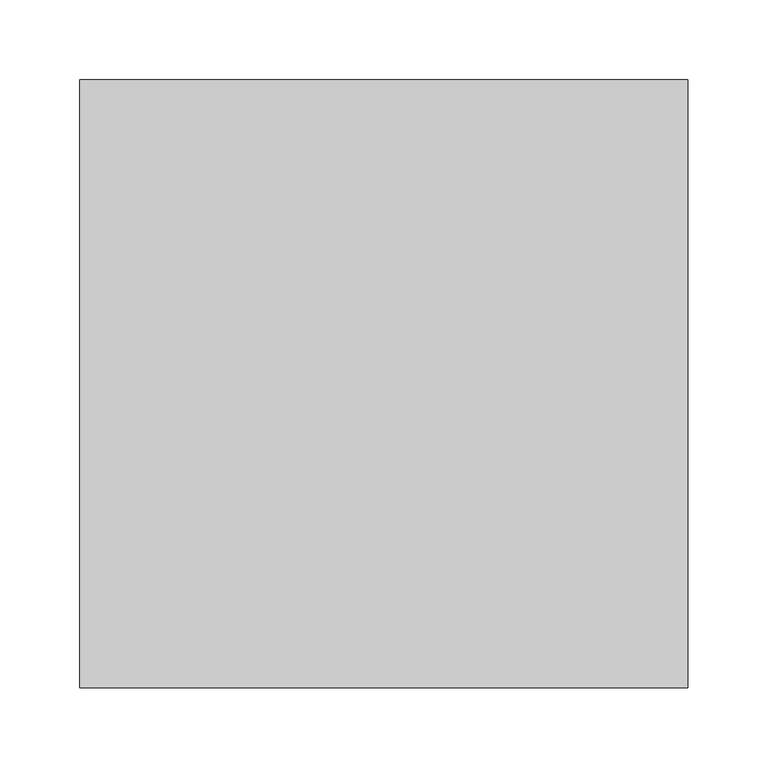
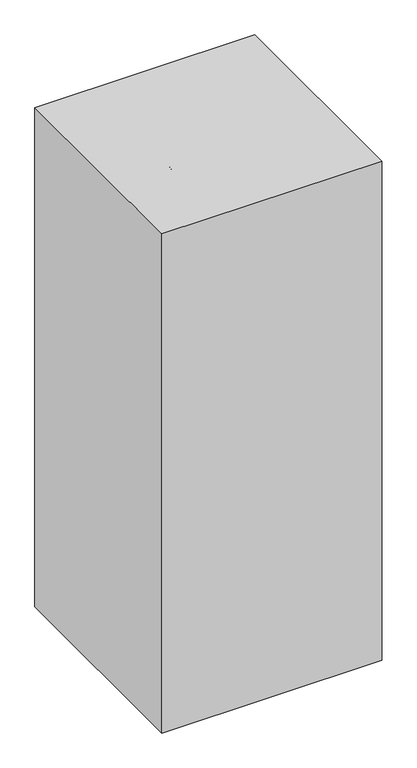
"""IFC4 building model written with IfcOpenShell, lengths in millimetres: proxy geometry."""

from ifc_helpers import new_model, si_unit, point, frame, frame_2d, origin, origin_with_axes, place, context, project, spatial, polyline, circle_curve, ellipse_curve, trimmed, segment, composite_curve, outline, extrude, source, transform, mapped, element, save
from ifc_brep_helpers import plane_surface, cylinder_surface, revolved_surface, advanced_brep


def specialty_equipment_bed29210(model_context):
    return source(origin(), model_context, "Body", "SolidModel", [
        extrude(outline(polyline([(0.0, 76.2), (12.7, 76.2), (12.7, 0.0), (0.0, 0.0), (0.0, 76.2)])), frame((-177.5900934, -239.9893842, 820.2504278), z_axis=(0.0, 0.4694715627858957, 0.8829475928589243), x_axis=(0.0, -0.8829475928589243, 0.4694715627858957)), (0.0, 0.0, 1.0), 76.2),
        advanced_brep(
        [(44.45, -215.9, 736.6), (44.45, -215.9, 723.9), (-22.0110536, -215.9, 723.9), (-16.0889464, -215.9, 736.6), (-90.7072211, -215.9, 805.7689044), (-78.0072211, -215.9, 810.3913264), (-90.7072211, -215.9, 846.1801154), (-78.0072211, -215.9, 858.8801154), (-160.5572211, -215.9, 858.8801154), (-160.5572211, -215.9, 846.1801154)],
        [
            (0, 1, circle_curve(frame((44.45, -215.9, 730.25), z_axis=(1.0, 0.0, 0.0), x_axis=(0.0, 0.0, -1.0)), 6.35)),
            (1, 0, circle_curve(frame((44.45, -215.9, 730.25), z_axis=(1.0, 0.0, 0.0), x_axis=(0.0, 0.0, -1.0)), 6.35)),
            (1, 2),
            (2, 3, ellipse_curve(frame((-19.05, -215.9, 730.25), z_axis=(0.9063077870366524, 0.0, -0.4226182617406946), x_axis=(0.42261826174069395, 0.0, 0.9063077870366525)), 7.0064498, 6.35)),
            (3, 0),
            (3, 2, ellipse_curve(frame((-19.05, -215.9, 730.25), z_axis=(0.9063077870366524, 0.0, -0.4226182617406946), x_axis=(0.42261826174069395, 0.0, 0.9063077870366525)), 7.0064498, 6.35)),
            (2, 4),
            (4, 5, ellipse_curve(frame((-84.3572211, -215.9, 808.0801154), z_axis=(0.3420201433256669, 0.0, -0.9396926207859092), x_axis=(0.9396926207859089, 0.0, 0.3420201433256674)), 6.7575289, 6.35)),
            (5, 3),
            (5, 4, ellipse_curve(frame((-84.3572211, -215.9, 808.0801154), z_axis=(0.3420201433256669, 0.0, -0.9396926207859092), x_axis=(0.9396926207859089, 0.0, 0.3420201433256674)), 6.7575289, 6.35)),
            (4, 6),
            (6, 7, ellipse_curve(frame((-84.3572211, -215.9, 852.5301154), z_axis=(0.7071067811865464, 0.0, -0.7071067811865487), x_axis=(-0.7071067811865487, 0.0, -0.7071067811865464)), 8.9802561, 6.35)),
            (7, 5),
            (7, 6, ellipse_curve(frame((-84.3572211, -215.9, 852.5301154), z_axis=(0.7071067811865464, 0.0, -0.7071067811865487), x_axis=(-0.7071067811865487, 0.0, -0.7071067811865464)), 8.9802561, 6.35)),
            (8, 9, circle_curve(frame((-160.5572211, -215.9, 852.5301154), z_axis=(-1.0, 0.0, 0.0), x_axis=(0.0, 0.0, -1.0)), 6.35)),
            (9, 8, circle_curve(frame((-160.5572211, -215.9, 852.5301154), z_axis=(-1.0, 0.0, 0.0), x_axis=(0.0, 0.0, -1.0)), 6.35)),
            (6, 9),
            (8, 7),
        ],
        [
            plane_surface(frame((44.45, -215.9, 730.25), z_axis=(1.0, 0.0, 0.0), x_axis=(0.0, 1.0, 0.0))),
            cylinder_surface(frame((44.45, -215.9, 730.25), z_axis=(1.0, 0.0, 0.0), x_axis=(0.0, 0.0, -1.0)), 6.35),
            cylinder_surface(frame((-19.05, -215.9, 730.25), z_axis=(0.6427876096865375, 0.0, -0.7660444431189797), x_axis=(-0.7660444431189797, 0.0, -0.6427876096865375)), 6.35),
            cylinder_surface(frame((-84.3572211, -215.9, 808.0801154), z_axis=(0.0, 0.0, -1.0), x_axis=(-1.0, 0.0, 0.0)), 6.35),
            plane_surface(frame((-160.5572211, -215.9, 852.5301154), z_axis=(-1.0, 0.0, 0.0), x_axis=(0.0, 1.0, 0.0))),
            cylinder_surface(frame((-84.3572211, -215.9, 852.5301154), z_axis=(1.0, 0.0, 0.0), x_axis=(0.0, 0.0, -1.0)), 6.35),
        ],
        [
            (0, [[1, 2]]),
            (1, [[3, 4, 5, -2]]),
            (1, [[-5, 6, -3, -1]]),
            (2, [[7, 8, 9, -4]]),
            (2, [[-9, 10, -7, -6]]),
            (3, [[11, 12, 13, -8]]),
            (3, [[-13, 14, -11, -10]]),
            (4, [[15, 16]]),
            (5, [[17, -15, 18, -12]]),
            (5, [[-18, -16, -17, -14]]),
        ],
    ),
        extrude(outline(composite_curve([segment(trimmed(circle_curve(frame_2d((730.25, 63.5)), 12.7), [point((730.25, 50.8))], [point((730.25, 76.2))], False, "CARTESIAN"), True, "CONTINUOUS"), segment(trimmed(circle_curve(frame_2d((730.25, 63.5)), 12.7), [point((730.25, 76.2))], [point((730.25, 50.8))], False, "CARTESIAN"), True, "CONTINUOUS")], self_intersect=False)), frame((0.0, -247.65, 0.0), z_axis=(0.0, 1.0, 0.0), x_axis=(0.0, 0.0, 1.0)), (0.0, 0.0, 1.0), 158.75),
        extrude(outline(composite_curve([segment(trimmed(circle_curve(frame_2d((730.25, 63.5)), 19.05), [point((730.25, 44.45))], [point((730.25, 82.55))], False, "CARTESIAN"), True, "CONTINUOUS"), segment(trimmed(circle_curve(frame_2d((730.25, 63.5)), 19.05), [point((730.25, 82.55))], [point((730.25, 44.45))], False, "CARTESIAN"), True, "CONTINUOUS")], self_intersect=False)), frame((0.0, -88.9, 0.0), z_axis=(0.0, 1.0, 0.0), x_axis=(0.0, 0.0, 1.0)), (0.0, 0.0, 1.0), 12.7),
        advanced_brep(
        [(6.6749119, -243.5968916, 875.3512512), (-10.6059042, -243.5968916, 883.409428), (-6.9449456, -243.5968916, 853.6764958), (-18.4550544, -243.5968916, 859.0437478)],
        [
            (0, 1, circle_curve(frame((-1.9654962, -243.5968916, 879.3803396), z_axis=(0.4226182617406888, 0.0, 0.906307787036655), x_axis=(-0.9063077870366558, 0.0, 0.42261826174068695)), 9.5336354)),
            (1, 0, circle_curve(frame((-1.9654962, -243.5968916, 879.3803396), z_axis=(0.4226182617406888, 0.0, 0.906307787036655), x_axis=(0.9063077870366544, 0.0, -0.42261826174068995)), 9.5336354)),
            (2, 3, circle_curve(frame((-12.7, -243.5968916, 856.3601218), z_axis=(-0.4226182617406888, 0.0, -0.906307787036655), x_axis=(0.9063077870366544, 0.0, -0.42261826174068995)), 6.35)),
            (3, 2, circle_curve(frame((-12.7, -243.5968916, 856.3601218), z_axis=(-0.4226182617406888, 0.0, -0.906307787036655), x_axis=(-0.9063077870366558, 0.0, 0.42261826174068695)), 6.35)),
            (3, 1),
            (0, 2),
        ],
        [
            plane_surface(frame((-1.9654962, -243.5968916, 879.3803396), z_axis=(0.42261826174068934, 0.0, 0.9063077870366547), x_axis=(0.0, -1.0, 0.0))),
            plane_surface(frame((-12.7, -243.5968916, 856.3601218), z_axis=(-0.42261826174068934, 0.0, -0.9063077870366547), x_axis=(0.0, -1.0, 0.0))),
            revolved_surface(polyline([(-18.45505446296622, -243.5968916, 859.0437477089987), (-10.605904175746641, -243.5968916, 883.4094280752884)]), (-34.1107742, -243.5968916, 810.4445683), (0.4226182617406888, 0.0, 0.906307787036655)),
            revolved_surface(polyline([(-6.9449455778731135, -243.5968916, 853.6764957896821), (6.674911899999998, -243.5968916, 875.3512512)]), (-34.1107742, -243.5968916, 810.4445683), (0.4226182617406888, 0.0, 0.906307787036655)),
        ],
        [
            (0, [[1, 2]]),
            (1, [[3, 4]]),
            (2, [[5, -1, 6, -4]]),
            (3, [[-6, -2, -5, -3]]),
        ],
    ),
        advanced_brep(
        [(120.3250881, -243.5968916, 875.3512512), (137.6059042, -243.5968916, 883.409428), (133.9449456, -243.5968916, 853.6764958), (145.4550544, -243.5968916, 859.0437478)],
        [
            (0, 1, circle_curve(frame((128.9654962, -243.5968916, 879.3803396), z_axis=(-0.4226182617406885, 0.0, 0.9063077870366552), x_axis=(0.9063077870366556, 0.0, 0.42261826174068745)), 9.5336354)),
            (1, 0, circle_curve(frame((128.9654962, -243.5968916, 879.3803396), z_axis=(-0.4226182617406885, 0.0, 0.9063077870366552), x_axis=(-0.9063077870366549, 0.0, -0.4226182617406886)), 9.5336354)),
            (2, 3, circle_curve(frame((139.7, -243.5968916, 856.3601218), z_axis=(0.4226182617406885, 0.0, -0.9063077870366552), x_axis=(-0.9063077870366549, 0.0, -0.4226182617406886)), 6.35)),
            (3, 2, circle_curve(frame((139.7, -243.5968916, 856.3601218), z_axis=(0.4226182617406885, 0.0, -0.9063077870366552), x_axis=(0.9063077870366556, 0.0, 0.42261826174068745)), 6.35)),
            (2, 0),
            (1, 3),
        ],
        [
            plane_surface(frame((128.9654962, -243.5968916, 879.3803396), z_axis=(-0.42261826174068934, 0.0, 0.9063077870366547), x_axis=(0.0, 1.0, 0.0))),
            plane_surface(frame((139.7, -243.5968916, 856.3601218), z_axis=(0.42261826174068934, 0.0, -0.9063077870366547), x_axis=(0.0, 1.0, 0.0))),
            revolved_surface(polyline([(133.9449455778731, -243.5968916, 853.676495789682), (120.3250881, -243.5968916, 875.3512512)]), (161.1107742, -243.5968916, 810.4445683), (-0.4226182617406885, 0.0, 0.9063077870366552)),
            revolved_surface(polyline([(145.45505446296622, -243.5968916, 859.0437477089987), (137.60590417574664, -243.5968916, 883.4094280752884)]), (161.1107742, -243.5968916, 810.4445683), (-0.4226182617406885, 0.0, 0.9063077870366552)),
        ],
        [
            (0, [[1, 2]]),
            (1, [[3, 4]]),
            (2, [[5, -2, 6, -3]]),
            (3, [[-6, -1, -5, -4]]),
        ],
    ),
        advanced_brep(
        [(133.9449456, -258.1987298, 853.6764958), (145.4550544, -258.1987298, 859.0437478), (154.7573277, -258.1987298, 839.0949585), (140.7444281, -258.1987298, 839.0949585), (135.6945183, -258.1987298, 798.2146318), (127.603726, -258.1987298, 810.9146318), (63.5, -258.1987298, 798.2146318), (63.5, -258.1987298, 810.9146318), (-8.6945183, -258.1987298, 798.2146318), (-0.603726, -258.1987298, 810.9146318), (-27.7573277, -258.1987298, 839.0949585), (-13.7444281, -258.1987298, 839.0949585), (-6.9449456, -258.1987298, 853.6764958), (-18.4550544, -258.1987298, 859.0437478)],
        [
            (0, 1, circle_curve(frame((139.7, -258.1987298, 856.3601218), z_axis=(-0.42261826174069717, 0.0, 0.906307787036651), x_axis=(0.906307787036651, 0.0, 0.42261826174069717)), 6.35)),
            (1, 0, circle_curve(frame((139.7, -258.1987298, 856.3601218), z_axis=(-0.42261826174069717, 0.0, 0.906307787036651), x_axis=(0.906307787036651, 0.0, 0.42261826174069717)), 6.35)),
            (1, 2),
            (2, 3, ellipse_curve(frame((147.7508779, -258.1987298, 839.0949585), z_axis=(0.0, 0.0, 1.0), x_axis=(-1.0, 0.0, 0.0)), 7.0064498, 6.35)),
            (3, 0),
            (3, 2, ellipse_curve(frame((147.7508779, -258.1987298, 839.0949585), z_axis=(0.0, 0.0, 1.0), x_axis=(-1.0, 0.0, 0.0)), 7.0064498, 6.35)),
            (2, 4),
            (4, 5, ellipse_curve(frame((131.6491221, -258.1987298, 804.5646318), z_axis=(0.8433914458128876, 0.0, 0.5372996083468209), x_axis=(-0.5372996083468209, 0.0, 0.8433914458128876)), 7.5291255, 6.35)),
            (5, 3),
            (5, 4, ellipse_curve(frame((131.6491221, -258.1987298, 804.5646318), z_axis=(0.8433914458128876, 0.0, 0.5372996083468209), x_axis=(-0.5372996083468209, 0.0, 0.8433914458128876)), 7.5291255, 6.35)),
            (4, 6),
            (6, 7, circle_curve(frame((63.5, -258.1987298, 804.5646318), z_axis=(1.0, 0.0, 0.0), x_axis=(0.0, 0.0, -1.0)), 6.35)),
            (7, 5),
            (7, 6, circle_curve(frame((63.5, -258.1987298, 804.5646318), z_axis=(1.0, 0.0, 0.0), x_axis=(0.0, 0.0, -1.0)), 6.35)),
            (6, 8),
            (8, 9, ellipse_curve(frame((-4.6491221, -258.1987298, 804.5646318), z_axis=(0.8433914458128859, 0.0, -0.5372996083468236), x_axis=(0.5372996083468233, 0.0, 0.8433914458128859)), 7.5291255, 6.35)),
            (9, 7),
            (9, 8, ellipse_curve(frame((-4.6491221, -258.1987298, 804.5646318), z_axis=(0.8433914458128859, 0.0, -0.5372996083468236), x_axis=(0.5372996083468233, 0.0, 0.8433914458128859)), 7.5291255, 6.35)),
            (8, 10),
            (10, 11, ellipse_curve(frame((-20.7508779, -258.1987298, 839.0949585), z_axis=(0.0, 0.0, -1.0), x_axis=(1.0, 0.0, 0.0)), 7.0064498, 6.35)),
            (11, 9),
            (11, 10, ellipse_curve(frame((-20.7508779, -258.1987298, 839.0949585), z_axis=(0.0, 0.0, -1.0), x_axis=(1.0, 0.0, 0.0)), 7.0064498, 6.35)),
            (12, 13, circle_curve(frame((-12.7, -258.1987298, 856.3601218), z_axis=(0.42261826174069733, 0.0, 0.9063077870366509), x_axis=(-0.9063077870366509, 0.0, 0.42261826174069733)), 6.35)),
            (13, 12, circle_curve(frame((-12.7, -258.1987298, 856.3601218), z_axis=(0.42261826174069733, 0.0, 0.9063077870366509), x_axis=(-0.9063077870366509, 0.0, 0.42261826174069733)), 6.35)),
            (10, 13),
            (12, 11),
        ],
        [
            plane_surface(frame((139.7, -76.2, 856.3601218), z_axis=(-0.42261826174069717, 0.0, 0.906307787036651), x_axis=(0.0, 1.0, 0.0))),
            cylinder_surface(frame((139.7, -258.1987298, 856.3601218), z_axis=(-0.42261826174069717, 0.0, 0.906307787036651), x_axis=(0.906307787036651, 0.0, 0.42261826174069717)), 6.35),
            cylinder_surface(frame((147.7508779, -258.1987298, 839.0949585), z_axis=(0.42261826174070577, 0.0, 0.9063077870366469), x_axis=(0.9063077870366469, 0.0, -0.42261826174070577)), 6.35),
            cylinder_surface(frame((131.6491221, -258.1987298, 804.5646318), z_axis=(1.0, 0.0, 0.0), x_axis=(0.0, 0.0, -1.0)), 6.35),
            cylinder_surface(frame((63.5, -258.1987298, 804.5646318), z_axis=(1.0, 0.0, 0.0), x_axis=(0.0, 0.0, -1.0)), 6.35),
            cylinder_surface(frame((-4.6491221, -258.1987298, 804.5646318), z_axis=(0.42261826174070016, 0.0, -0.9063077870366497), x_axis=(-0.9063077870366497, 0.0, -0.42261826174070016)), 6.35),
            plane_surface(frame((-12.7, -76.2, 856.3601218), z_axis=(0.4226182617406972, 0.0, 0.906307787036651), x_axis=(0.0, 1.0, 0.0))),
            cylinder_surface(frame((-20.7508779, -258.1987298, 839.0949585), z_axis=(-0.42261826174069733, 0.0, -0.9063077870366509), x_axis=(-0.9063077870366509, 0.0, 0.42261826174069733)), 6.35),
        ],
        [
            (0, [[1, 2]]),
            (1, [[3, 4, 5, -2]]),
            (1, [[-5, 6, -3, -1]]),
            (2, [[7, 8, 9, -4]]),
            (2, [[-9, 10, -7, -6]]),
            (3, [[11, 12, 13, -8]]),
            (3, [[-13, 14, -11, -10]]),
            (4, [[15, 16, 17, -12]]),
            (4, [[-17, 18, -15, -14]]),
            (5, [[19, 20, 21, -16]]),
            (5, [[-21, 22, -19, -18]]),
            (6, [[23, 24]]),
            (7, [[25, -23, 26, -20]]),
            (7, [[-26, -24, -25, -22]]),
        ],
    ),
        advanced_brep(
        [(-38.1, -254.0, 826.8645295), (-38.1, -254.0, 788.7645295), (165.1, -254.0, 788.7645295), (165.1, -254.0, 826.8645295), (-57.15, -254.0, 859.8600974), (184.15, -254.0, 859.8600974), (-52.5014774, -254.0, 864.50862), (179.5014774, -254.0, 864.50862), (-31.75, -254.0, 828.5660069), (158.75, -254.0, 828.5660069), (-31.75, -254.0, 795.1145295), (158.75, -254.0, 795.1145295), (63.5, -254.0, 795.1145295), (63.5, -254.0, 788.7645295)],
        [
            (0, 1),
            (1, 2, circle_curve(frame((63.5, -254.0, 788.7645295), z_axis=(0.0, 0.0, 1.0), x_axis=(1.0, 0.0, 0.0)), 101.6)),
            (2, 3),
            (3, 0, circle_curve(frame((63.5, -254.0, 826.8645295), z_axis=(0.0, 0.0, -1.0), x_axis=(1.0, 0.0, 0.0)), 101.6)),
            (2, 1, circle_curve(frame((63.5, -254.0, 788.7645295), z_axis=(0.0, 0.0, 1.0), x_axis=(1.0, 0.0, 0.0)), 101.6)),
            (0, 3, circle_curve(frame((63.5, -254.0, 826.8645295), z_axis=(0.0, 0.0, -1.0), x_axis=(1.0, 0.0, 0.0)), 101.6)),
            (4, 0),
            (3, 5),
            (5, 4, circle_curve(frame((63.5, -254.0, 859.8600974), z_axis=(0.0, 0.0, -1.0), x_axis=(1.0, 0.0, 0.0)), 120.65)),
            (4, 5, circle_curve(frame((63.5, -254.0, 859.8600974), z_axis=(0.0, 0.0, -1.0), x_axis=(1.0, 0.0, 0.0)), 120.65)),
            (6, 4),
            (5, 7),
            (7, 6, circle_curve(frame((63.5, -254.0, 864.50862), z_axis=(0.0, 0.0, -1.0), x_axis=(1.0, 0.0, 0.0)), 116.0014774)),
            (6, 7, circle_curve(frame((63.5, -254.0, 864.50862), z_axis=(0.0, 0.0, -1.0), x_axis=(1.0, 0.0, 0.0)), 116.0014774)),
            (8, 6),
            (7, 9),
            (9, 8, circle_curve(frame((63.5, -254.0, 828.5660069), z_axis=(0.0, 0.0, -1.0), x_axis=(1.0, 0.0, 0.0)), 95.25)),
            (8, 9, circle_curve(frame((63.5, -254.0, 828.5660069), z_axis=(0.0, 0.0, -1.0), x_axis=(1.0, 0.0, 0.0)), 95.25)),
            (10, 8),
            (9, 11),
            (11, 10, circle_curve(frame((63.5, -254.0, 795.1145295), z_axis=(0.0, 0.0, -1.0), x_axis=(1.0, 0.0, 0.0)), 95.25)),
            (10, 11, circle_curve(frame((63.5, -254.0, 795.1145295), z_axis=(0.0, 0.0, -1.0), x_axis=(1.0, 0.0, 0.0)), 95.25)),
            (12, 10),
            (11, 12),
            (1, 13),
            (13, 2),
        ],
        [
            cylinder_surface(frame((63.5, -254.0, 884.0145295), z_axis=(0.0, 0.0, 1.0), x_axis=(1.0, 0.0, 0.0)), 101.6),
            revolved_surface(polyline([(165.1, -254.0, 826.8645295), (184.15, -254.0, 859.8600974)]), (63.5, -254.0, 884.0145295), (0.0, 0.0, 1.0)),
            revolved_surface(polyline([(184.15, -254.0, 859.8600974), (179.5014774, -254.0, 864.50862)]), (63.5, -254.0, 884.0145295), (0.0, 0.0, 1.0)),
            revolved_surface(polyline([(179.5014774, -254.0, 864.50862), (158.75, -254.0, 828.5660069)]), (63.5, -254.0, 884.0145295), (0.0, 0.0, 1.0)),
            revolved_surface(polyline([(158.75, -254.0, 828.5660069), (158.75, -254.0, 795.1145295)]), (63.5, -254.0, 884.0145295), (0.0, 0.0, 1.0)),
            plane_surface(frame((63.5, -254.0, 795.1145295), z_axis=(0.0, 0.0, 1.0), x_axis=(1.0, 0.0, 0.0))),
            plane_surface(frame((63.5, -254.0, 788.7645295), z_axis=(0.0, 0.0, -1.0), x_axis=(1.0, 0.0, 0.0))),
        ],
        [
            (0, [[1, 2, 3, 4]]),
            (0, [[-3, 5, -1, 6]]),
            (1, [[7, -4, 8, 9]]),
            (1, [[-8, -6, -7, 10]]),
            (2, [[11, -9, 12, 13]]),
            (2, [[-12, -10, -11, 14]]),
            (3, [[15, -13, 16, 17]]),
            (3, [[-16, -14, -15, 18]]),
            (4, [[19, -17, 20, 21]]),
            (4, [[-20, -18, -19, 22]]),
            (5, [[23, -21, 24]]),
            (5, [[-24, -22, -23]]),
            (6, [[25, 26, -2]]),
            (6, [[-26, -25, -5]]),
        ],
    ),
        extrude(outline(composite_curve([segment(trimmed(circle_curve(frame_2d((63.5, -242.7630601)), 19.05), [point((44.45, -242.7630601))], [point((82.55, -242.7630601))], False, "CARTESIAN"), True, "CONTINUOUS"), segment(trimmed(circle_curve(frame_2d((63.5, -242.7630601)), 19.05), [point((82.55, -242.7630601))], [point((44.45, -242.7630601))], False, "CARTESIAN"), True, "CONTINUOUS")], self_intersect=False)), frame((0.0, 0.0, 678.0316343), z_axis=(0.0, 0.0, 1.0), x_axis=(1.0, 0.0, 0.0)), (0.0, 0.0, 1.0), 110.7328952),
        extrude(outline(polyline([(190.5, -442.9125), (-190.5, -442.9125), (-190.5, -61.9125), (190.5, -61.9125), (190.5, -442.9125)])), origin_with_axes(), (0.0, 0.0, 1.0), 914.4),
    ])


if __name__ == "__main__":
    model = new_model("IFC4")
    model_context = context("Model", 3, world=origin())
    ifc_project = project(units=[si_unit("LENGTHUNIT", "METRE", prefix="MILLI")], contexts=[model_context])
    site = spatial("IfcSite", under=ifc_project)
    building = spatial("IfcBuilding", under=site)
    placement = place(None, origin())
    specialty_equipment_shape = specialty_equipment_bed29210(model_context)
    element("IfcBuildingElementProxy", 1, Name="Specialty Equipment", at=placement, inside=building, context=model_context, shape_type="MappedRepresentation", body=[
        mapped(specialty_equipment_shape, transform((0.0, 0.0, 0.0), x_axis=(1.0, 0.0, 0.0), y_axis=(0.0, 1.0, 0.0), z_axis=(0.0, 0.0, 1.0))),
    ])
    save(model, "model.ifc")
